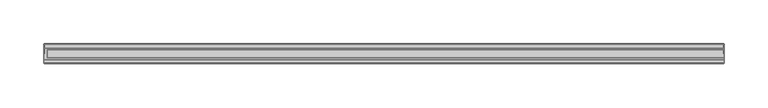
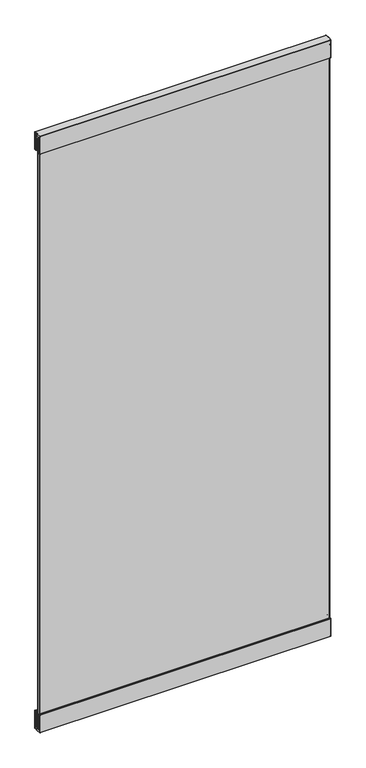
"""IFC4 building model written with IfcOpenShell, lengths in millimetres: furniture geometry."""

import ifcopenshell
import ifcopenshell.guid

model = None  # the IFC model being written
_history = None  # IfcOwnerHistory: only IFC2X3 demands one
_inside = {}  # id of a spatial element -> (the spatial element, [elements in it])
_under = {}  # id of a project, library or spatial element -> (it, [spatial elements below it])
_declared = {}  # id of a project -> (the project, [libraries it declares])
_typed = {}  # id of a type object -> (the type object, [elements of that type])
_made_of = {}  # id of a material, layer set ... -> (it, [elements and type objects made of it])


def new_model(schema):
    """Start an empty IFC model of exactly this schema.

    Asked for "IFC4X3", IfcOpenShell would pick the latest addendum, in which some entities
    have other attributes; the version numbers below select the first issue.
    IFC2X3 requires an IfcOwnerHistory on every rooted entity: one is made here for all.
    """
    global model, _history
    if schema == "IFC4X3":
        model = ifcopenshell.file(schema_version=(4, 3, 0, 0))
    else:
        model = ifcopenshell.file(schema=schema)
    _inside.clear()
    _under.clear()
    _declared.clear()
    _typed.clear()
    _made_of.clear()
    _history = None
    if model.schema == "IFC2X3":
        org = make("IfcOrganization", Name="unknown")
        user = make(
            "IfcPersonAndOrganization",
            ThePerson=make("IfcPerson", FamilyName="unknown"),
            TheOrganization=org,
        )
        app = make(
            "IfcApplication",
            ApplicationDeveloper=org,
            Version="unknown",
            ApplicationFullName="unknown",
            ApplicationIdentifier="unknown",
        )
        _history = make(
            "IfcOwnerHistory",
            OwningUser=user,
            OwningApplication=app,
            ChangeAction="ADDED",
            CreationDate=0,
        )
    return model


def make(cls, **values):
    """One entity of the class cls with the attributes given. An attribute that is None is left unset."""
    return model.create_entity(
        cls, **{name: value for name, value in values.items() if value is not None}
    )


def rooted(cls, **values):
    """An entity with a GlobalId (a new one), such as an element, a storey or a relation."""
    return make(cls, GlobalId=ifcopenshell.guid.new(), OwnerHistory=_history, **values)


def si_unit(unit_type, name, prefix=None):
    """IfcSIUnit, for example si_unit("LENGTHUNIT", "METRE", prefix="MILLI")."""
    return make("IfcSIUnit", UnitType=unit_type, Prefix=prefix, Name=name)


def assignment(units):
    """IfcUnitAssignment: the units of a project."""
    return None if units is None else make("IfcUnitAssignment", Units=units)


def point(xyz):
    """IfcCartesianPoint."""
    return None if xyz is None else make("IfcCartesianPoint", Coordinates=xyz)


def direction(xyz):
    """IfcDirection."""
    return None if xyz is None else make("IfcDirection", DirectionRatios=xyz)


def frame(location, z_axis=None, x_axis=None):
    """IfcAxis2Placement3D, a coordinate frame: its origin and axes. An axis left out is left unset."""
    return make(
        "IfcAxis2Placement3D",
        Location=point(location),
        Axis=direction(z_axis),
        RefDirection=direction(x_axis),
    )


def origin():
    """The frame at (0, 0, 0) with its axes left unset."""
    return frame((0.0, 0.0, 0.0))


def place(relative_to, where):
    """IfcLocalPlacement: puts the frame where relative to a parent placement (None: the world)."""
    return make(
        "IfcLocalPlacement", PlacementRelTo=relative_to, RelativePlacement=where
    )


def context(
    kind, dimensions, precision=None, world=None, true_north=None, identifier=None
):
    """IfcGeometricRepresentationContext, for example the 3D "Model" context."""
    return make(
        "IfcGeometricRepresentationContext",
        ContextIdentifier=identifier,
        ContextType=kind,
        CoordinateSpaceDimension=dimensions,
        Precision=precision,
        WorldCoordinateSystem=world,
        TrueNorth=true_north,
    )


def project(units=None, contexts=None):
    """IfcProject with its units and contexts."""
    return rooted(
        "IfcProject",
        Name="project",
        RepresentationContexts=contexts,
        UnitsInContext=assignment(units),
    )


def spatial(cls, under=None, at=None, **own):
    """A site, building, storey or space (cls), placed at a placement, below another one or the project."""
    s = rooted(cls, ObjectPlacement=at, **own)
    if under is not None:
        _under.setdefault(under.id(), (under, []))[1].append(s)
    return s


def point_list(points):
    """IfcCartesianPointList2D or 3D."""
    cls = (
        "IfcCartesianPointList2D" if len(points[0]) == 2 else "IfcCartesianPointList3D"
    )
    return make(cls, CoordList=points)


def triangles(points, corners, closed=None, point_numbers=None):
    """IfcTriangulatedFaceSet: each triangle names its three corners, points numbered from 1."""
    return make(
        "IfcTriangulatedFaceSet",
        Coordinates=point_list(points),
        Closed=closed,
        CoordIndex=corners,
        PnIndex=point_numbers,
    )


def shape(context_of_items, identifier, shape_type, items):
    """IfcShapeRepresentation: the items that make up one representation, for example the "Body"."""
    return make(
        "IfcShapeRepresentation",
        ContextOfItems=context_of_items,
        RepresentationIdentifier=identifier,
        RepresentationType=shape_type,
        Items=items,
    )


def source(mapping_origin, context_of_items, identifier, shape_type, items):
    """IfcRepresentationMap: a shape defined once, which mapped items show again and again."""
    return make(
        "IfcRepresentationMap",
        MappingOrigin=mapping_origin,
        MappedRepresentation=shape(context_of_items, identifier, shape_type, items),
    )


def transform(
    local_origin,
    x_axis=None,
    y_axis=None,
    z_axis=None,
    scale=None,
    scale2=None,
    scale3=None,
    uniform=True,
):
    """IfcCartesianTransformationOperator3D, or its non-uniform kind. x_axis, y_axis, z_axis: its Axis1, 2, 3."""
    if uniform:
        return make(
            "IfcCartesianTransformationOperator3D",
            Axis1=direction(x_axis),
            Axis2=direction(y_axis),
            LocalOrigin=point(local_origin),
            Scale=scale,
            Axis3=direction(z_axis),
        )
    return make(
        "IfcCartesianTransformationOperator3DnonUniform",
        Axis1=direction(x_axis),
        Axis2=direction(y_axis),
        LocalOrigin=point(local_origin),
        Scale=scale,
        Axis3=direction(z_axis),
        Scale2=scale2,
        Scale3=scale3,
    )


def mapped(mapping_source, mapping_target):
    """IfcMappedItem: shows the shape of a source again, moved by a transform."""
    return make(
        "IfcMappedItem", MappingSource=mapping_source, MappingTarget=mapping_target
    )


def made_of(thing, what):
    """Note that an element or type object is made of a material, layer set ...; save() writes the relation."""
    if what is not None:
        _made_of.setdefault(what.id(), (what, []))[1].append(thing)
    return thing


def element(
    cls,
    number,
    at=None,
    inside=None,
    cuts=None,
    type_object=None,
    material=None,
    context=None,
    identifier="Body",
    shape_type=None,
    held_by="IfcProductDefinitionShape",
    body=None,
    shapes=None,
    **own,
):
    """One element of the class cls, such as IfcWall. Its Tag is "e" and its number.

    at: its placement. inside: the storey or other place that contains it. cuts: it is an
    opening in that element (IfcRelVoidsElement). A single representation is given by context,
    identifier, shape_type and body (its items); several are given by shapes. held_by: the class
    of the entity that holds the representations. save() writes the other relations.
    """
    e = rooted(cls, Tag="e%d" % number, ObjectPlacement=at, **own)
    if body is not None:
        shapes = [shape(context, identifier, shape_type, body)]
    if shapes is not None:
        e.Representation = make(held_by, Representations=shapes)
    if inside is not None:
        _inside.setdefault(inside.id(), (inside, []))[1].append(e)
    if cuts is not None:
        rooted(
            "IfcRelVoidsElement", RelatingBuildingElement=cuts, RelatedOpeningElement=e
        )
    if type_object is not None:
        _typed.setdefault(type_object.id(), (type_object, []))[1].append(e)
    return made_of(e, material)


def aggregate(whole, parts):
    """IfcRelAggregates: a whole, such as a stair, and the parts it consists of."""
    return rooted("IfcRelAggregates", RelatingObject=whole, RelatedObjects=parts)


def save(model, path):
    """Write the relations noted so far, then the file.

    IfcRelAggregates (storeys below a building ...), IfcRelContainedInSpatialStructure (elements
    in a storey), IfcRelDefinesByType, IfcRelAssociatesMaterial and IfcRelDeclares: one each for
    every whole, place, type object, material and project.
    """
    for whole, parts in _under.values():
        aggregate(whole, parts)
    for where, things in _inside.values():
        rooted(
            "IfcRelContainedInSpatialStructure",
            RelatedElements=things,
            RelatingStructure=where,
        )
    for kind, things in _typed.values():
        rooted("IfcRelDefinesByType", RelatedObjects=things, RelatingType=kind)
    for what, things in _made_of.values():
        rooted("IfcRelAssociatesMaterial", RelatedObjects=things, RelatingMaterial=what)
    for by, libraries in _declared.values():
        rooted("IfcRelDeclares", RelatingContext=by, RelatedDefinitions=libraries)
    model.write(path)


def furniture_0b0323ad(model_context):
    return source(origin(), model_context, "Body", "Tessellation", [
        triangles([(0.5079999, -14.9225017, 1119.1999992), (0.5079999, -14.4734886, 1119.0140368), (0.1487897, -14.5786988, 1118.9088106), (0.1487897, -14.9225017, 1119.0511711), (-1e-07, -14.8326986, 1118.654829), (0.1487897, -14.4362918, 1118.5650089), (0.5079999, -14.2875011, 1118.5650089), (774.1919884, -14.2874932, 1118.5650089), (774.1919884, -14.4734807, 1119.0140368), (774.1919884, -14.9224926, 1119.1999992), (0.5079999, -18.097502, 1119.1999992), (0.5079999, -18.546514, 1119.0140368), (0.1487897, -18.4413037, 1118.9088106), (0.1487897, -18.097502, 1119.0511711), (-1e-07, -18.187304, 1118.654829), (0.5079999, -18.7325014, 1118.5650089), (0.1487897, -18.5837119, 1118.5650089), (-1e-07, -14.7955018, 1069.0349653), (0.1487897, -14.4362918, 1069.0349653), (0.5079999, -14.2875011, 1069.0349653), (0.1487897, -14.5786988, 1068.6911636), (0.5079999, -14.4734886, 1068.5860102), (-1e-07, -14.9225017, 1068.9080109), (0.1487897, -14.9225017, 1068.5488031), (0.5079999, -14.9225017, 1068.399975), (0.0, -25.4000008, 1068.9080109), (0.1487898, -25.4000008, 1068.5488031), (0.508, -25.4000008, 1068.399975), (0.5079999, -18.7325014, 1076.0200041), (0.5079999, -19.1044752, 1075.1219484), (0.1487897, -18.9992661, 1075.016795), (0.1487897, -18.5837119, 1076.0200041), (-1e-07, -18.7452652, 1074.7627407), (-1e-07, -18.2245019, 1076.0200041), (0.5079999, -20.0025014, 1074.7500235), (0.1487897, -20.0025014, 1074.6011953), (0.0, -20.0025014, 1074.2419876), (774.1919884, -19.1044684, 1075.1219484), (774.1919884, -20.0024923, 1074.7500235), (774.5511961, -20.0024923, 1074.6011953), (774.5511961, -18.999257, 1075.016795), (774.7000242, -20.0024923, 1074.2419876), (774.7000242, -18.7452573, 1074.7627407), (774.1919884, -18.7324935, 1076.0200041), (774.5511961, -18.5837028, 1076.0200041), (774.7000242, -18.2244928, 1076.0200041), (774.1919884, -25.4000008, 1074.7500235), (774.5511961, -25.4000008, 1074.6011953), (774.7000242, -25.4000008, 1074.2419876), (774.1919884, -18.7324935, 1118.5650089), (774.1919884, -18.546506, 1119.0140368), (774.5511961, -18.4412958, 1118.9088106), (774.5511961, -18.5837028, 1118.5650089), (774.7000242, -18.187296, 1118.654829), (774.1919884, -18.097493, 1119.1999992), (774.5511961, -18.097493, 1119.0511711), (774.5511961, -14.9224926, 1119.0511711), (774.5511961, -14.5786909, 1118.9088106), (774.7000242, -14.8326907, 1118.654829), (774.5511961, -14.4362827, 1118.5650089), (774.7000242, -14.7954927, 1069.0349653), (774.5511961, -14.4362827, 1069.0349653), (774.1919884, -14.2874932, 1069.0349653), (774.5511961, -14.5786909, 1068.6911636), (774.1919884, -14.4734807, 1068.5860102), (774.7000242, -14.9224926, 1068.9080109), (774.5511961, -14.9224926, 1068.5488031), (774.1919884, -14.9224926, 1068.399975), (774.7000242, -25.4000008, 1068.9080109), (774.5511961, -25.4000008, 1068.5488031), (774.1919884, -25.4000008, 1068.399975), (0.508, -25.4000008, 1074.7500235), (0.1487898, -25.4000008, 1074.6011953), (0.0, -25.4000008, 1074.2419876), (774.1919884, -30.7974933, 1074.7500235), (0.5080001, -30.7975024, 1074.7500235), (0.5080001, -35.8775021, 1068.399975), (774.1919884, -35.877493, 1068.399975), (0.5079999, -35.8774976, 1119.1999992), (0.5079999, -36.3265118, 1119.0140368), (0.1487897, -36.2213015, 1118.9088106), (0.1487897, -35.8774976, 1119.0511711), (-1e-07, -35.9673018, 1118.654829), (0.1487897, -36.3637097, 1118.5650089), (0.5079999, -36.5124992, 1118.5650089), (774.1919884, -36.5125061, 1118.5650089), (774.1919884, -36.3265209, 1119.0140368), (774.1919884, -35.8775067, 1119.1999992), (0.5079999, -32.7024983, 1119.1999992), (0.5079999, -32.2534864, 1119.0140368), (0.1487897, -32.3586966, 1118.9088106), (0.1487897, -32.7024983, 1119.0511711), (-1e-07, -32.6126964, 1118.654829), (0.5079999, -32.0674989, 1118.5650089), (0.1487897, -32.2162885, 1118.5650089), (-1e-07, -36.0044975, 1069.0349653), (0.1487897, -36.3637097, 1069.0349653), (0.5079999, -36.5124992, 1069.0349653), (0.1487897, -36.2213015, 1068.6911636), (0.5079999, -36.3265118, 1068.5860102), (-1e-07, -35.8774976, 1068.9080109), (0.1487897, -35.8774976, 1068.5488031), (0.5079999, -32.0674989, 1076.0200041), (0.5079999, -31.695524, 1075.1219484), (0.1487897, -31.8007342, 1075.016795), (0.1487897, -32.2162885, 1076.0200041), (-1e-07, -32.054734, 1074.7627407), (-1e-07, -32.5754985, 1076.0200041), (0.1487897, -30.7974979, 1074.6011953), (0.0, -30.7974979, 1074.2419876), (774.1919884, -31.6955331, 1075.1219484), (774.5511961, -30.797507, 1074.6011953), (774.5511961, -31.8007433, 1075.016795), (774.7000242, -30.797507, 1074.2419876), (774.7000242, -32.0547431, 1074.7627407), (774.1919884, -32.067508, 1076.0200041), (774.5511961, -32.2162975, 1076.0200041), (774.7000242, -32.5755075, 1076.0200041), (774.1919884, -32.067508, 1118.5650089), (774.1919884, -32.2534932, 1119.0140368), (774.5511961, -32.3587035, 1118.9088106), (774.5511961, -32.2162975, 1118.5650089), (774.7000242, -32.6127055, 1118.654829), (774.1919884, -32.7025074, 1119.1999992), (774.5511961, -32.7025074, 1119.0511711), (774.5511961, -35.8775067, 1119.0511711), (774.5511961, -36.2213106, 1118.9088106), (774.7000242, -35.9673086, 1118.654829), (774.5511961, -36.3637165, 1118.5650089), (774.7000242, -36.0045065, 1069.0349653), (774.5511961, -36.3637165, 1069.0349653), (774.1919884, -36.5125061, 1069.0349653), (774.5511961, -36.2213106, 1068.6911636), (774.1919884, -36.3265209, 1068.5860102), (774.7000242, -35.8775067, 1068.9080109), (774.5511961, -35.8775067, 1068.5488031), (0.1478743, -14.9220145, 2692.5487312), (0.1478743, -14.5782117, 2692.6908737), (0.5070846, -14.4730015, 2692.5856476), (0.5070846, -14.9220145, 2692.3999031), (-0.0009154, -14.9220145, 2692.9077209), (0.1478743, -14.4358047, 2693.0347481), (-0.0009154, -14.7950147, 2693.0347481), (0.5070846, -14.287014, 2693.0347481), (774.1911163, -14.4729935, 2692.5856476), (774.1911163, -14.2870061, 2693.0347481), (774.1911163, -14.9220055, 2692.3999031), (0.1478744, -18.0970149, 2692.5487312), (0.1478744, -18.4408166, 2692.6908737), (0.5070846, -18.5460269, 2692.5856476), (0.5070846, -18.0970149, 2692.3999031), (-0.0009154, -18.0970149, 2692.9077209), (0.1478744, -18.5832248, 2693.0347481), (0.5070846, -18.7320143, 2693.0347481), (-0.0009154, -18.2240148, 2693.0347481), (0.1478743, -14.4358047, 2742.5648643), (-0.0009154, -14.7950147, 2742.5648643), (0.5070846, -14.287014, 2742.5648643), (0.1478743, -14.5782117, 2742.9087387), (0.5070846, -14.4730015, 2743.0136742), (0.1478743, -14.9220145, 2743.0508812), (-0.0009154, -14.9220145, 2742.6918915), (0.5070846, -14.9220145, 2743.1997093), (0.1478745, -25.3995125, 2743.0508812), (-0.0009153, -25.3995125, 2742.6918915), (0.5070847, -25.3995125, 2743.1997093), (0.1478744, -18.5832248, 2735.5798256), (0.1478744, -18.998779, 2736.582962), (0.5070846, -19.1039893, 2736.4777359), (0.5070846, -18.7320143, 2735.5798256), (-0.0009154, -18.2240148, 2735.5798256), (-0.0009154, -18.7447781, 2736.8370163), (0.1478744, -20.0020154, 2736.9986343), (0.5070846, -20.0020154, 2736.8498062), (-0.0009154, -20.0020154, 2737.3579147), (774.5503241, -18.9987699, 2736.582962), (774.5503241, -20.0020063, 2736.9986343), (774.1911163, -19.1039802, 2736.4777359), (774.1911163, -20.0020063, 2736.8498062), (774.6990795, -18.7447702, 2736.8370163), (774.6990795, -20.0020063, 2737.3579147), (774.5503241, -18.5832157, 2735.5798256), (774.1911163, -18.7320064, 2735.5798256), (774.6990795, -18.2240057, 2735.5798256), (774.5503241, -25.3995125, 2736.9986343), (774.1911163, -25.3995125, 2736.8498062), (774.6990795, -25.3995125, 2737.3579147), (774.5503241, -18.5832157, 2693.0347481), (774.5503241, -18.4408087, 2692.6908737), (774.1911163, -18.5460189, 2692.5856476), (774.1911163, -18.7320064, 2693.0347481), (774.6990795, -18.2240057, 2693.0347481), (774.5503241, -18.0970058, 2692.5487312), (774.1911163, -18.0970058, 2692.3999031), (774.6990795, -18.0970058, 2692.9077209), (774.5503241, -14.9220055, 2692.5487312), (774.5503241, -14.5782038, 2692.6908737), (774.6990795, -14.9220055, 2692.9077209), (774.5503241, -14.4357956, 2693.0347481), (774.6990795, -14.7950056, 2693.0347481), (774.5503241, -14.4357956, 2742.5648643), (774.6990795, -14.7950056, 2742.5648643), (774.1911163, -14.2870061, 2742.5648643), (774.5503241, -14.5782038, 2742.9087387), (774.1911163, -14.4729935, 2743.0136742), (774.5503241, -14.9220055, 2743.0508812), (774.6990795, -14.9220055, 2742.6918915), (774.1911163, -14.9220055, 2743.1997093), (774.5503241, -25.3995125, 2743.0508812), (774.6990795, -25.3995125, 2742.6918915), (774.1911163, -25.3995125, 2743.1997093), (0.1478745, -25.3995125, 2736.9986343), (0.5070847, -25.3995125, 2736.8498062), (-0.0009153, -25.3995125, 2737.3579147), (0.5070848, -30.7970142, 2736.8498062), (774.1911163, -30.7970051, 2736.8498062), (774.1911163, -35.8770071, 2743.1997093), (0.5070848, -35.8770139, 2743.1997093), (0.1478743, -35.8770116, 2692.5487312), (0.1478743, -36.2208133, 2692.6908737), (0.5070846, -36.3260235, 2692.5856476), (0.5070846, -35.8770116, 2692.3999031), (-0.0009154, -35.8770116, 2692.9077209), (0.1478743, -36.3632215, 2693.0347481), (-0.0009154, -36.0040115, 2693.0347481), (0.5070846, -36.512011, 2693.0347481), (774.1911163, -36.3260326, 2692.5856476), (774.1911163, -36.5120201, 2693.0347481), (774.1911163, -35.8770207, 2692.3999031), (0.1478744, -32.7020124, 2692.5487312), (0.1478744, -32.3582084, 2692.6908737), (0.5070846, -32.2529982, 2692.5856476), (0.5070846, -32.7020124, 2692.3999031), (-0.0009154, -32.7020124, 2692.9077209), (0.1478744, -32.2158002, 2693.0347481), (0.5070846, -32.0670107, 2693.0347481), (-0.0009154, -32.5750125, 2693.0347481), (0.1478743, -36.3632215, 2742.5648643), (-0.0009154, -36.0040115, 2742.5648643), (0.5070846, -36.512011, 2742.5648643), (0.1478743, -36.2208133, 2742.9087387), (0.5070846, -36.3260235, 2743.0136742), (0.1478743, -35.8770116, 2743.0508812), (-0.0009154, -35.8770116, 2742.6918915), (0.1478744, -32.2158002, 2735.5798256), (0.1478744, -31.8002483, 2736.582962), (0.5070846, -31.695038, 2736.4777359), (0.5070846, -32.0670107, 2735.5798256), (-0.0009154, -32.5750125, 2735.5798256), (-0.0009154, -32.054248, 2736.8370163), (0.1478744, -30.7970119, 2736.9986343), (-0.0009154, -30.7970119, 2737.3579147), (774.5503241, -31.8002551, 2736.582962), (774.5503241, -30.797021, 2736.9986343), (774.1911163, -31.6950448, 2736.4777359), (774.6990795, -32.0542548, 2736.8370163), (774.6990795, -30.797021, 2737.3579147), (774.5503241, -32.2158093, 2735.5798256), (774.1911163, -32.0670198, 2735.5798256), (774.6990795, -32.5750193, 2735.5798256), (774.5503241, -32.2158093, 2693.0347481), (774.5503241, -32.3582175, 2692.6908737), (774.1911163, -32.2530072, 2692.5856476), (774.1911163, -32.0670198, 2693.0347481), (774.6990795, -32.5750193, 2693.0347481), (774.5503241, -32.7020192, 2692.5487312), (774.1911163, -32.7020192, 2692.3999031), (774.6990795, -32.7020192, 2692.9077209), (774.5503241, -35.8770207, 2692.5487312), (774.5503241, -36.2208224, 2692.6908737), (774.6990795, -35.8770207, 2692.9077209), (774.5503241, -36.3632306, 2693.0347481), (774.6990795, -36.0040206, 2693.0347481), (774.5503241, -36.3632306, 2742.5648643), (774.6990795, -36.0040206, 2742.5648643), (774.1911163, -36.5120201, 2742.5648643), (774.5503241, -36.2208224, 2742.9087387), (774.1911163, -36.3260326, 2743.0136742), (774.5503241, -35.8770207, 2743.0508812), (774.6990795, -35.8770207, 2742.6918915)], [[1, 2, 3], [1, 3, 4], [4, 3, 5], [5, 6, 3], [3, 6, 2], [6, 7, 2], [7, 8, 9], [7, 9, 2], [2, 9, 10], [2, 10, 1], [11, 12, 13], [11, 13, 14], [14, 13, 15], [12, 16, 17], [12, 17, 13], [13, 17, 15], [5, 18, 19], [5, 19, 6], [6, 19, 20], [6, 20, 7], [18, 21, 19], [19, 21, 22], [19, 22, 20], [18, 23, 24], [23, 24, 21], [21, 24, 25], [21, 25, 22], [23, 26, 24], [26, 27, 24], [24, 27, 25], [27, 28, 25], [29, 30, 31], [29, 31, 32], [32, 31, 33], [32, 33, 34], [30, 35, 36], [30, 36, 31], [31, 36, 37], [31, 37, 33], [38, 39, 40], [38, 40, 41], [41, 40, 42], [41, 42, 43], [38, 44, 45], [38, 45, 41], [41, 45, 46], [41, 46, 43], [39, 47, 48], [39, 48, 40], [40, 48, 42], [48, 49, 42], [50, 51, 52], [50, 52, 53], [53, 52, 54], [55, 51, 56], [51, 52, 56], [56, 52, 54], [10, 9, 57], [9, 58, 57], [57, 58, 59], [9, 8, 58], [8, 60, 58], [58, 60, 59], [55, 10, 57], [55, 57, 56], [56, 57, 59], [56, 59, 54], [54, 46, 45], [54, 45, 53], [53, 45, 44], [53, 44, 50], [59, 61, 62], [59, 62, 60], [60, 62, 63], [60, 63, 8], [61, 64, 62], [62, 64, 65], [62, 65, 63], [61, 66, 64], [66, 67, 64], [64, 67, 68], [64, 68, 65], [69, 66, 67], [69, 67, 70], [70, 67, 68], [70, 68, 71], [39, 35, 30], [39, 30, 38], [38, 30, 29], [38, 29, 44], [1, 11, 4], [11, 14, 4], [4, 14, 5], [14, 15, 5], [16, 29, 32], [16, 32, 17], [17, 32, 34], [17, 34, 15], [35, 72, 36], [72, 73, 36], [36, 73, 37], [73, 74, 37], [63, 20, 22], [63, 22, 65], [65, 22, 25], [65, 25, 68], [55, 11, 12], [55, 12, 51], [51, 12, 16], [51, 16, 50], [75, 39, 35], [75, 35, 76], [16, 29, 44], [16, 44, 50], [59, 54, 61], [54, 46, 61], [46, 61, 43], [61, 43, 66], [43, 42, 66], [42, 66, 49], [66, 69, 49], [55, 10, 1], [55, 1, 11], [15, 5, 18], [15, 18, 34], [18, 34, 23], [34, 33, 23], [33, 23, 37], [23, 37, 74], [23, 74, 26], [77, 25, 68], [77, 68, 78], [79, 80, 81], [79, 81, 82], [82, 81, 83], [83, 84, 81], [81, 84, 80], [84, 85, 80], [85, 86, 87], [85, 87, 80], [80, 87, 88], [80, 88, 79], [89, 90, 91], [89, 91, 92], [92, 91, 93], [90, 94, 95], [90, 95, 91], [91, 95, 93], [83, 96, 97], [83, 97, 84], [84, 97, 98], [84, 98, 85], [96, 99, 97], [97, 99, 100], [97, 100, 98], [96, 101, 102], [101, 102, 99], [99, 102, 77], [99, 77, 100], [101, 26, 27], [101, 27, 102], [102, 27, 28], [102, 28, 77], [103, 104, 105], [103, 105, 106], [106, 105, 107], [106, 107, 108], [104, 76, 109], [104, 109, 105], [105, 109, 110], [105, 110, 107], [111, 75, 112], [111, 112, 113], [113, 112, 114], [113, 114, 115], [111, 116, 117], [111, 117, 113], [113, 117, 118], [113, 118, 115], [75, 47, 48], [75, 48, 112], [112, 48, 49], [112, 49, 114], [119, 120, 121], [119, 121, 122], [122, 121, 123], [124, 120, 125], [120, 121, 125], [125, 121, 123], [88, 87, 126], [87, 127, 126], [126, 127, 128], [87, 86, 127], [86, 129, 127], [127, 129, 128], [124, 88, 126], [124, 126, 125], [125, 126, 123], [126, 128, 123], [123, 118, 117], [123, 117, 122], [122, 117, 116], [122, 116, 119], [128, 130, 131], [128, 131, 129], [129, 131, 132], [129, 132, 86], [130, 133, 131], [131, 133, 134], [131, 134, 132], [130, 135, 133], [135, 136, 133], [133, 136, 78], [133, 78, 134], [69, 135, 70], [135, 136, 70], [70, 136, 71], [136, 78, 71], [75, 76, 104], [75, 104, 111], [111, 104, 103], [111, 103, 116], [79, 89, 92], [79, 92, 82], [82, 92, 93], [82, 93, 83], [94, 103, 106], [94, 106, 95], [95, 106, 108], [95, 108, 93], [76, 72, 73], [76, 73, 109], [109, 73, 74], [109, 74, 110], [132, 98, 100], [132, 100, 134], [134, 100, 77], [134, 77, 78], [124, 89, 90], [124, 90, 120], [120, 90, 94], [120, 94, 119], [119, 116, 103], [119, 103, 94], [130, 118, 123], [130, 123, 128], [115, 135, 130], [115, 130, 118], [135, 114, 115], [49, 69, 114], [69, 135, 114], [89, 79, 88], [89, 88, 124], [108, 96, 83], [108, 83, 93], [96, 107, 108], [110, 101, 96], [110, 96, 107], [26, 74, 110], [26, 110, 101], [8, 63, 20], [8, 20, 7], [86, 132, 98], [86, 98, 85], [137, 138, 139], [137, 139, 140], [141, 138, 137], [138, 142, 143], [139, 144, 142], [139, 142, 138], [139, 145, 146], [139, 146, 144], [140, 147, 145], [140, 145, 139], [148, 149, 150], [148, 150, 151], [152, 149, 148], [149, 153, 154], [149, 154, 150], [152, 155, 153], [155, 153, 149], [142, 156, 157], [142, 157, 143], [144, 158, 156], [144, 156, 142], [156, 159, 157], [158, 160, 159], [158, 159, 156], [159, 161, 157], [160, 163, 161], [160, 161, 159], [161, 164, 162], [164, 165, 162], [163, 166, 161], [166, 164, 161], [167, 168, 169], [167, 169, 170], [171, 172, 167], [172, 168, 167], [168, 173, 169], [173, 174, 169], [172, 175, 168], [175, 173, 168], [176, 177, 178], [177, 179, 178], [180, 181, 176], [181, 177, 176], [176, 182, 183], [176, 183, 178], [180, 184, 182], [180, 182, 176], [177, 185, 179], [185, 186, 179], [181, 187, 177], [187, 185, 177], [188, 189, 190], [188, 190, 191], [192, 189, 188], [193, 189, 194], [189, 190, 194], [195, 189, 193], [196, 197, 147], [197, 145, 147], [198, 197, 196], [197, 199, 146], [197, 146, 145], [198, 200, 199], [200, 199, 197], [193, 196, 147], [193, 147, 194], [195, 198, 196], [195, 196, 193], [188, 182, 184], [188, 184, 192], [191, 183, 182], [191, 182, 188], [199, 201, 202], [199, 202, 200], [146, 203, 201], [146, 201, 199], [201, 204, 202], [203, 205, 204], [203, 204, 201], [204, 206, 202], [206, 207, 202], [205, 208, 206], [205, 206, 204], [209, 206, 207], [209, 207, 210], [211, 208, 206], [211, 206, 209], [178, 169, 174], [178, 174, 179], [183, 170, 169], [183, 169, 178], [137, 148, 140], [148, 151, 140], [141, 152, 137], [152, 148, 137], [153, 167, 170], [153, 170, 154], [155, 171, 167], [155, 167, 153], [173, 212, 174], [212, 213, 174], [175, 214, 173], [214, 212, 173], [205, 160, 158], [205, 158, 203], [208, 163, 160], [208, 160, 205], [190, 150, 151], [190, 151, 194], [191, 154, 150], [191, 150, 190], [215, 174, 179], [215, 179, 216], [191, 183, 170], [191, 170, 154], [200, 195, 198], [192, 200, 195], [202, 184, 200], [184, 192, 200], [180, 202, 184], [207, 181, 180], [207, 180, 202], [187, 210, 207], [187, 207, 181], [151, 140, 147], [151, 147, 194], [155, 141, 152], [143, 155, 141], [171, 157, 143], [171, 143, 155], [162, 172, 171], [162, 171, 157], [175, 162, 172], [165, 214, 175], [165, 175, 162], [217, 208, 163], [217, 163, 218], [219, 220, 221], [219, 221, 222], [223, 220, 219], [220, 224, 225], [221, 226, 224], [221, 224, 220], [221, 227, 228], [221, 228, 226], [222, 229, 227], [222, 227, 221], [230, 231, 232], [230, 232, 233], [234, 231, 230], [231, 235, 236], [231, 236, 232], [234, 237, 235], [237, 235, 231], [224, 238, 225], [238, 239, 225], [226, 240, 238], [226, 238, 224], [238, 241, 239], [240, 242, 241], [240, 241, 238], [241, 243, 239], [242, 218, 241], [218, 243, 241], [243, 164, 165], [243, 165, 244], [218, 166, 164], [218, 164, 243], [245, 246, 247], [245, 247, 248], [249, 250, 245], [250, 246, 245], [246, 251, 247], [251, 215, 247], [250, 252, 246], [252, 251, 246], [253, 254, 255], [254, 216, 255], [256, 257, 253], [257, 254, 253], [253, 258, 259], [253, 259, 255], [256, 260, 258], [256, 258, 253], [254, 185, 186], [254, 186, 216], [257, 187, 185], [257, 185, 254], [261, 262, 263], [261, 263, 264], [265, 262, 261], [266, 262, 267], [262, 263, 267], [268, 262, 266], [269, 270, 229], [270, 227, 229], [271, 270, 269], [270, 272, 228], [270, 228, 227], [271, 273, 272], [273, 272, 270], [266, 269, 267], [269, 229, 267], [268, 271, 266], [271, 269, 266], [261, 258, 260], [261, 260, 265], [264, 259, 258], [264, 258, 261], [272, 274, 275], [272, 275, 273], [228, 276, 274], [228, 274, 272], [274, 277, 275], [276, 278, 277], [276, 277, 274], [277, 279, 275], [278, 217, 279], [278, 279, 277], [209, 279, 210], [279, 280, 210], [211, 217, 209], [217, 279, 209], [255, 247, 215], [255, 215, 216], [259, 248, 247], [259, 247, 255], [219, 230, 233], [219, 233, 222], [223, 234, 230], [223, 230, 219], [235, 245, 248], [235, 248, 236], [237, 249, 235], [249, 245, 235], [251, 212, 213], [251, 213, 215], [252, 214, 212], [252, 212, 251], [278, 242, 240], [278, 240, 276], [217, 218, 242], [217, 242, 278], [263, 232, 233], [263, 233, 267], [264, 236, 232], [264, 232, 263], [236, 248, 259], [236, 259, 264], [271, 268, 273], [268, 273, 265], [273, 265, 260], [273, 260, 275], [260, 275, 280], [260, 280, 256], [280, 256, 257], [257, 280, 210], [257, 210, 187], [267, 229, 222], [267, 222, 233], [234, 223, 225], [234, 225, 237], [237, 225, 239], [237, 239, 249], [239, 249, 250], [250, 239, 244], [250, 244, 252], [244, 252, 214], [244, 214, 165], [144, 158, 203], [144, 203, 146], [226, 240, 276], [226, 276, 228]], closed=False),
        triangles([(4.3600187, -29.3792977, 2726.385038), (4.3600187, -29.8283097, 2726.1990028), (4.0008084, -29.7230994, 2726.0937767), (4.0008084, -29.3792977, 2726.2362099), (3.8520186, -29.4690997, 2725.8397224), (4.0008084, -29.8655076, 2725.7499023), (4.3600187, -30.0142971, 2725.7499023), (774.168734, -30.0143062, 2725.7499023), (774.168734, -29.8283188, 2726.1990028), (774.168734, -29.3793046, 2726.385038), (4.3600187, -21.1242965, 2726.385038), (4.3600187, -20.6752846, 2726.1990028), (4.0008084, -20.7804948, 2726.0937767), (4.0008084, -21.1242965, 2726.2362099), (3.8520186, -21.0344946, 2725.8397224), (4.3600187, -20.4892971, 2725.7499023), (4.0008084, -20.6380867, 2725.7499023), (3.8520186, -29.5062976, 1076.0200041), (4.0008084, -29.8655076, 1076.0200041), (4.3600187, -30.0142971, 1076.0200041), (774.168734, -20.4893062, 2725.7499023), (774.168734, -20.6752914, 2726.1990028), (774.5280144, -20.7805017, 2726.0937767), (774.5280144, -20.6380957, 2725.7499023), (774.6767698, -21.0345037, 2725.8397224), (774.168734, -21.1243056, 2726.385038), (774.5280144, -21.1243056, 2726.2362099), (774.5280144, -29.7231085, 2726.0937767), (774.5280144, -29.3793046, 2726.2362099), (774.6767698, -29.4691088, 2725.8397224), (774.5280144, -29.8655167, 2725.7499023), (774.6767698, -20.9973057, 1076.0200041), (774.5280144, -20.6380957, 1076.0200041), (774.168734, -20.4893062, 1076.0200041), (774.6767698, -29.5063044, 1076.0200041), (774.5280144, -29.8655167, 1076.0200041), (774.168734, -30.0143062, 1076.0200041), (4.3600187, -20.4892971, 1076.0200041), (4.0008084, -20.6380867, 1076.0200041), (3.8520186, -20.9972967, 1076.0200041), (4.0008084, -29.3792977, 1075.5337692), (4.0008084, -29.7230994, 1075.6762024), (4.3600187, -29.8283097, 1075.5709763), (4.3600187, -29.3792977, 1075.3850138), (3.8520186, -29.3792977, 1075.892977), (774.168734, -29.8283188, 1075.5709763), (774.168734, -29.3793046, 1075.3850138), (4.0008084, -21.1242965, 1075.5337692), (4.0008084, -20.7804948, 1075.6762024), (4.3600187, -21.1242965, 1075.3850138), (4.3600187, -20.6752846, 1075.5709763), (3.8520186, -21.1242965, 1075.892977), (774.5280144, -20.7805017, 1075.6762024), (774.168734, -20.6752914, 1075.5709763), (774.5280144, -21.1243056, 1075.5337692), (774.168734, -21.1243056, 1075.3850138), (774.6767698, -21.1243056, 1075.892977), (774.5280144, -29.3793046, 1075.5337692), (774.5280144, -29.7231085, 1075.6762024), (774.6767698, -29.3793046, 1075.892977)], [[1, 2, 3], [1, 3, 4], [4, 3, 5], [5, 6, 3], [3, 6, 2], [6, 7, 2], [7, 8, 9], [7, 9, 2], [2, 9, 10], [2, 10, 1], [11, 12, 13], [11, 13, 14], [14, 13, 15], [12, 16, 17], [12, 17, 13], [13, 17, 15], [5, 18, 19], [5, 19, 6], [6, 19, 20], [6, 20, 7], [21, 22, 23], [21, 23, 24], [24, 23, 25], [26, 22, 23], [26, 23, 27], [27, 23, 25], [10, 9, 28], [10, 28, 29], [29, 28, 30], [9, 8, 28], [8, 31, 28], [28, 31, 30], [26, 10, 27], [10, 29, 27], [27, 29, 25], [29, 30, 25], [25, 32, 33], [25, 33, 24], [24, 33, 34], [24, 34, 21], [30, 35, 36], [30, 36, 31], [31, 36, 37], [31, 37, 8], [1, 11, 14], [1, 14, 4], [4, 14, 15], [4, 15, 5], [16, 38, 39], [16, 39, 17], [17, 39, 40], [17, 40, 15], [26, 11, 12], [26, 12, 22], [22, 12, 16], [22, 16, 21], [21, 34, 38], [21, 38, 16], [35, 32, 25], [35, 25, 30], [11, 1, 10], [11, 10, 26], [40, 18, 5], [40, 5, 15], [8, 37, 20], [8, 20, 7], [41, 42, 43], [41, 43, 44], [45, 42, 41], [42, 19, 18], [42, 18, 45], [43, 20, 19], [43, 19, 42], [43, 46, 37], [43, 37, 20], [44, 47, 46], [44, 46, 43], [48, 49, 50], [49, 51, 50], [52, 49, 48], [49, 39, 38], [49, 38, 51], [52, 40, 39], [52, 39, 49], [33, 53, 54], [33, 54, 34], [32, 53, 33], [55, 53, 56], [53, 54, 56], [57, 53, 55], [58, 59, 47], [59, 46, 47], [60, 59, 58], [59, 36, 37], [59, 37, 46], [60, 35, 36], [60, 36, 59], [55, 58, 56], [58, 47, 56], [57, 60, 55], [60, 58, 55], [41, 48, 50], [41, 50, 44], [45, 52, 48], [45, 48, 41], [54, 51, 50], [54, 50, 56], [34, 38, 51], [34, 51, 54], [57, 60, 35], [57, 35, 32], [56, 47, 44], [56, 44, 50], [45, 52, 40], [45, 40, 18]], closed=False),
    ])


if __name__ == "__main__":
    model = new_model("IFC4")
    model_context = context("Model", 3, world=origin())
    ifc_project = project(units=[si_unit("LENGTHUNIT", "METRE", prefix="MILLI")], contexts=[model_context])
    site = spatial("IfcSite", under=ifc_project)
    building = spatial("IfcBuilding", under=site)
    placement = place(None, origin())
    furniture_shape = furniture_0b0323ad(model_context)
    element("IfcFurniture", 1, at=placement, inside=building, context=model_context, shape_type="MappedRepresentation", body=[
        mapped(furniture_shape, transform((0.0, 0.0, 0.0), x_axis=(1.0, 0.0, 0.0), y_axis=(0.0, 1.0, 0.0), z_axis=(0.0, 0.0, 1.0))),
    ])
    save(model, "model.ifc")
